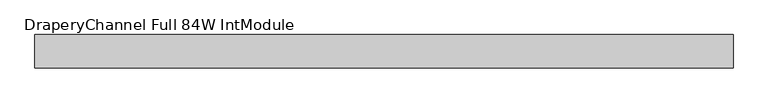
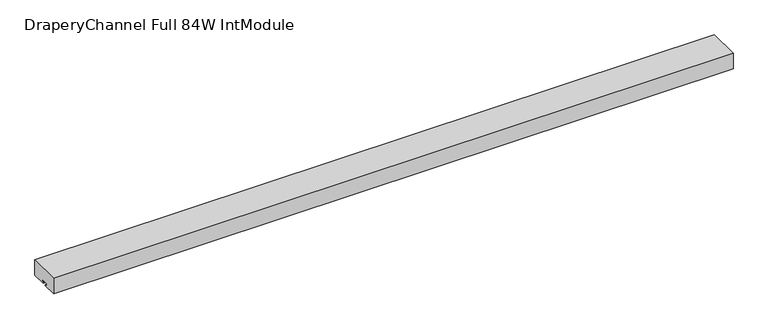
"""IFC4 building model written with IfcOpenShell, lengths in millimetres: furniture geometry, DraperyChannel Full 84W IntModule."""

from ifc_helpers import new_model, si_unit, frame, origin, place, context, project, spatial, polyline, outline, extrude, source, transform, mapped, element, save


def draperychannel_full_84w_intmodule_68571460(model_context):
    return source(origin(), model_context, "Body", "SweptSolid", [
        extrude(outline(polyline([(-101.6, 2286.0), (0.0, 2286.0), (0.0, 2235.2), (-44.831, 2235.2), (-44.831, 2238.5528), (-39.0097688, 2238.5528), (-39.0097688, 2246.0458), (-63.8255688, 2246.0458), (-63.8255688, 2238.5528), (-56.769, 2238.5528), (-56.769, 2235.2), (-101.6, 2235.2), (-101.6, 2286.0)])), frame((50.8, 0.0, 0.0), z_axis=(1.0, 0.0, 0.0), x_axis=(0.0, 1.0, 0.0)), (0.0, 0.0, 1.0), 2133.6),
    ])


if __name__ == "__main__":
    model = new_model("IFC4")
    model_context = context("Model", 3, world=origin())
    ifc_project = project(units=[si_unit("LENGTHUNIT", "METRE", prefix="MILLI")], contexts=[model_context])
    site = spatial("IfcSite", under=ifc_project)
    building = spatial("IfcBuilding", under=site)
    placement = place(None, origin())
    draperychannel_full_84w_intmodule_shape = draperychannel_full_84w_intmodule_68571460(model_context)
    element("IfcFurniture", 1, ObjectType="DraperyChannel Full 84W IntModule", at=placement, inside=building, context=model_context, shape_type="MappedRepresentation", body=[
        mapped(draperychannel_full_84w_intmodule_shape, transform((0.0, 0.0, 0.0), x_axis=(1.0, 0.0, 0.0), y_axis=(0.0, 1.0, 0.0), z_axis=(0.0, 0.0, 1.0))),
    ])
    save(model, "model.ifc")
